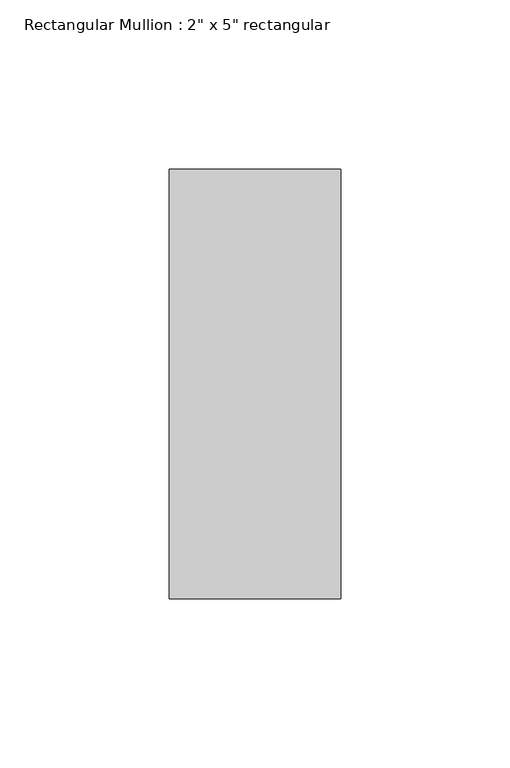
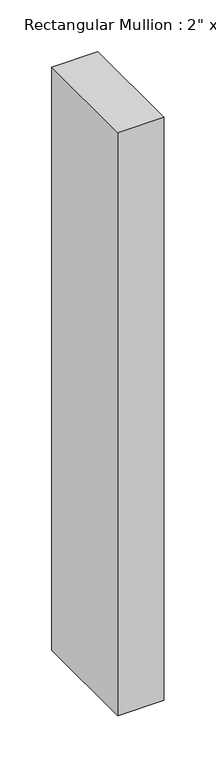
"""IFC4 building model written with IfcOpenShell, lengths in millimetres: member geometry."""

import ifcopenshell
import ifcopenshell.guid

model = None  # the IFC model being written
_history = None  # IfcOwnerHistory: only IFC2X3 demands one
_inside = {}  # id of a spatial element -> (the spatial element, [elements in it])
_under = {}  # id of a project, library or spatial element -> (it, [spatial elements below it])
_declared = {}  # id of a project -> (the project, [libraries it declares])
_typed = {}  # id of a type object -> (the type object, [elements of that type])
_made_of = {}  # id of a material, layer set ... -> (it, [elements and type objects made of it])


def new_model(schema):
    """Start an empty IFC model of exactly this schema.

    Asked for "IFC4X3", IfcOpenShell would pick the latest addendum, in which some entities
    have other attributes; the version numbers below select the first issue.
    IFC2X3 requires an IfcOwnerHistory on every rooted entity: one is made here for all.
    """
    global model, _history
    if schema == "IFC4X3":
        model = ifcopenshell.file(schema_version=(4, 3, 0, 0))
    else:
        model = ifcopenshell.file(schema=schema)
    _inside.clear()
    _under.clear()
    _declared.clear()
    _typed.clear()
    _made_of.clear()
    _history = None
    if model.schema == "IFC2X3":
        org = make("IfcOrganization", Name="unknown")
        user = make(
            "IfcPersonAndOrganization",
            ThePerson=make("IfcPerson", FamilyName="unknown"),
            TheOrganization=org,
        )
        app = make(
            "IfcApplication",
            ApplicationDeveloper=org,
            Version="unknown",
            ApplicationFullName="unknown",
            ApplicationIdentifier="unknown",
        )
        _history = make(
            "IfcOwnerHistory",
            OwningUser=user,
            OwningApplication=app,
            ChangeAction="ADDED",
            CreationDate=0,
        )
    return model


def make(cls, **values):
    """One entity of the class cls with the attributes given. An attribute that is None is left unset."""
    return model.create_entity(
        cls, **{name: value for name, value in values.items() if value is not None}
    )


def rooted(cls, **values):
    """An entity with a GlobalId (a new one), such as an element, a storey or a relation."""
    return make(cls, GlobalId=ifcopenshell.guid.new(), OwnerHistory=_history, **values)


def si_unit(unit_type, name, prefix=None):
    """IfcSIUnit, for example si_unit("LENGTHUNIT", "METRE", prefix="MILLI")."""
    return make("IfcSIUnit", UnitType=unit_type, Prefix=prefix, Name=name)


def assignment(units):
    """IfcUnitAssignment: the units of a project."""
    return None if units is None else make("IfcUnitAssignment", Units=units)


def point(xyz):
    """IfcCartesianPoint."""
    return None if xyz is None else make("IfcCartesianPoint", Coordinates=xyz)


def direction(xyz):
    """IfcDirection."""
    return None if xyz is None else make("IfcDirection", DirectionRatios=xyz)


def frame(location, z_axis=None, x_axis=None):
    """IfcAxis2Placement3D, a coordinate frame: its origin and axes. An axis left out is left unset."""
    return make(
        "IfcAxis2Placement3D",
        Location=point(location),
        Axis=direction(z_axis),
        RefDirection=direction(x_axis),
    )


def origin():
    """The frame at (0, 0, 0) with its axes left unset."""
    return frame((0.0, 0.0, 0.0))


def place(relative_to, where):
    """IfcLocalPlacement: puts the frame where relative to a parent placement (None: the world)."""
    return make(
        "IfcLocalPlacement", PlacementRelTo=relative_to, RelativePlacement=where
    )


def context(
    kind, dimensions, precision=None, world=None, true_north=None, identifier=None
):
    """IfcGeometricRepresentationContext, for example the 3D "Model" context."""
    return make(
        "IfcGeometricRepresentationContext",
        ContextIdentifier=identifier,
        ContextType=kind,
        CoordinateSpaceDimension=dimensions,
        Precision=precision,
        WorldCoordinateSystem=world,
        TrueNorth=true_north,
    )


def project(units=None, contexts=None):
    """IfcProject with its units and contexts."""
    return rooted(
        "IfcProject",
        Name="project",
        RepresentationContexts=contexts,
        UnitsInContext=assignment(units),
    )


def spatial(cls, under=None, at=None, **own):
    """A site, building, storey or space (cls), placed at a placement, below another one or the project."""
    s = rooted(cls, ObjectPlacement=at, **own)
    if under is not None:
        _under.setdefault(under.id(), (under, []))[1].append(s)
    return s


def polyline(points):
    """IfcPolyline through the points."""
    return make("IfcPolyline", Points=[point(p) for p in points])


def outline(outer, holes=None, kind="AREA"):
    """IfcArbitraryClosedProfileDef: a profile drawn as a closed curve; with holes, ...WithVoids."""
    if holes is None:
        return make("IfcArbitraryClosedProfileDef", ProfileType=kind, OuterCurve=outer)
    return make(
        "IfcArbitraryProfileDefWithVoids",
        ProfileType=kind,
        OuterCurve=outer,
        InnerCurves=holes,
    )


def extrude(swept, where, along, depth):
    """IfcExtrudedAreaSolid: the profile swept, set in the frame where, extruded along a direction by depth."""
    return make(
        "IfcExtrudedAreaSolid",
        SweptArea=swept,
        Position=where,
        ExtrudedDirection=direction(along),
        Depth=depth,
    )


def shape(context_of_items, identifier, shape_type, items):
    """IfcShapeRepresentation: the items that make up one representation, for example the "Body"."""
    return make(
        "IfcShapeRepresentation",
        ContextOfItems=context_of_items,
        RepresentationIdentifier=identifier,
        RepresentationType=shape_type,
        Items=items,
    )


def source(mapping_origin, context_of_items, identifier, shape_type, items):
    """IfcRepresentationMap: a shape defined once, which mapped items show again and again."""
    return make(
        "IfcRepresentationMap",
        MappingOrigin=mapping_origin,
        MappedRepresentation=shape(context_of_items, identifier, shape_type, items),
    )


def transform(
    local_origin,
    x_axis=None,
    y_axis=None,
    z_axis=None,
    scale=None,
    scale2=None,
    scale3=None,
    uniform=True,
):
    """IfcCartesianTransformationOperator3D, or its non-uniform kind. x_axis, y_axis, z_axis: its Axis1, 2, 3."""
    if uniform:
        return make(
            "IfcCartesianTransformationOperator3D",
            Axis1=direction(x_axis),
            Axis2=direction(y_axis),
            LocalOrigin=point(local_origin),
            Scale=scale,
            Axis3=direction(z_axis),
        )
    return make(
        "IfcCartesianTransformationOperator3DnonUniform",
        Axis1=direction(x_axis),
        Axis2=direction(y_axis),
        LocalOrigin=point(local_origin),
        Scale=scale,
        Axis3=direction(z_axis),
        Scale2=scale2,
        Scale3=scale3,
    )


def mapped(mapping_source, mapping_target):
    """IfcMappedItem: shows the shape of a source again, moved by a transform."""
    return make(
        "IfcMappedItem", MappingSource=mapping_source, MappingTarget=mapping_target
    )


def made_of(thing, what):
    """Note that an element or type object is made of a material, layer set ...; save() writes the relation."""
    if what is not None:
        _made_of.setdefault(what.id(), (what, []))[1].append(thing)
    return thing


def element(
    cls,
    number,
    at=None,
    inside=None,
    cuts=None,
    type_object=None,
    material=None,
    context=None,
    identifier="Body",
    shape_type=None,
    held_by="IfcProductDefinitionShape",
    body=None,
    shapes=None,
    **own,
):
    """One element of the class cls, such as IfcWall. Its Tag is "e" and its number.

    at: its placement. inside: the storey or other place that contains it. cuts: it is an
    opening in that element (IfcRelVoidsElement). A single representation is given by context,
    identifier, shape_type and body (its items); several are given by shapes. held_by: the class
    of the entity that holds the representations. save() writes the other relations.
    """
    e = rooted(cls, Tag="e%d" % number, ObjectPlacement=at, **own)
    if body is not None:
        shapes = [shape(context, identifier, shape_type, body)]
    if shapes is not None:
        e.Representation = make(held_by, Representations=shapes)
    if inside is not None:
        _inside.setdefault(inside.id(), (inside, []))[1].append(e)
    if cuts is not None:
        rooted(
            "IfcRelVoidsElement", RelatingBuildingElement=cuts, RelatedOpeningElement=e
        )
    if type_object is not None:
        _typed.setdefault(type_object.id(), (type_object, []))[1].append(e)
    return made_of(e, material)


def aggregate(whole, parts):
    """IfcRelAggregates: a whole, such as a stair, and the parts it consists of."""
    return rooted("IfcRelAggregates", RelatingObject=whole, RelatedObjects=parts)


def save(model, path):
    """Write the relations noted so far, then the file.

    IfcRelAggregates (storeys below a building ...), IfcRelContainedInSpatialStructure (elements
    in a storey), IfcRelDefinesByType, IfcRelAssociatesMaterial and IfcRelDeclares: one each for
    every whole, place, type object, material and project.
    """
    for whole, parts in _under.values():
        aggregate(whole, parts)
    for where, things in _inside.values():
        rooted(
            "IfcRelContainedInSpatialStructure",
            RelatedElements=things,
            RelatingStructure=where,
        )
    for kind, things in _typed.values():
        rooted("IfcRelDefinesByType", RelatedObjects=things, RelatingType=kind)
    for what, things in _made_of.values():
        rooted("IfcRelAssociatesMaterial", RelatedObjects=things, RelatingMaterial=what)
    for by, libraries in _declared.values():
        rooted("IfcRelDeclares", RelatingContext=by, RelatedDefinitions=libraries)
    model.write(path)


def member_744ae5c2(model_context):
    return source(origin(), model_context, "Body", "SweptSolid", [
        extrude(outline(polyline([(0.0, 63.5), (0.0, -63.5), (-50.8, -63.5), (-50.8, 63.5), (0.0, 63.5)])), frame((0.0, 0.0, -685.8), z_axis=(0.0, 0.0, 1.0), x_axis=(1.0, 0.0, 0.0)), (0.0, 0.0, 1.0), 685.8),
    ])


if __name__ == "__main__":
    model = new_model("IFC4")
    model_context = context("Model", 3, world=origin())
    ifc_project = project(units=[si_unit("LENGTHUNIT", "METRE", prefix="MILLI")], contexts=[model_context])
    site = spatial("IfcSite", under=ifc_project)
    building = spatial("IfcBuilding", under=site)
    placement = place(None, origin())
    member_shape = member_744ae5c2(model_context)
    element("IfcMember", 1, ObjectType="Rectangular Mullion : 2\" x 5\" rectangular", at=placement, inside=building, context=model_context, shape_type="MappedRepresentation", body=[
        mapped(member_shape, transform((0.0, 0.0, 0.0), x_axis=(1.0, 0.0, 0.0), y_axis=(0.0, 1.0, 0.0), z_axis=(0.0, 0.0, 1.0))),
    ])
    save(model, "model.ifc")
